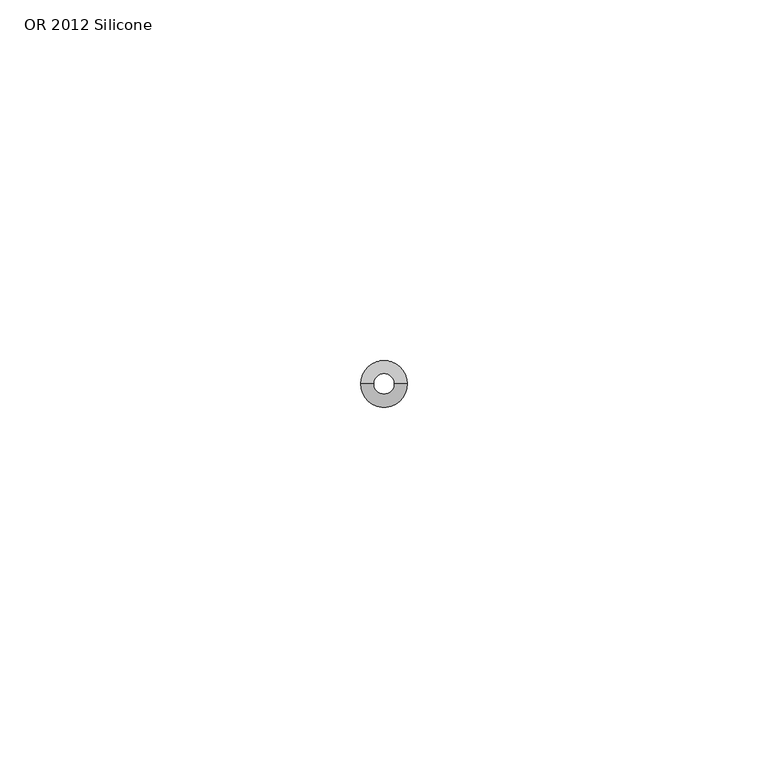
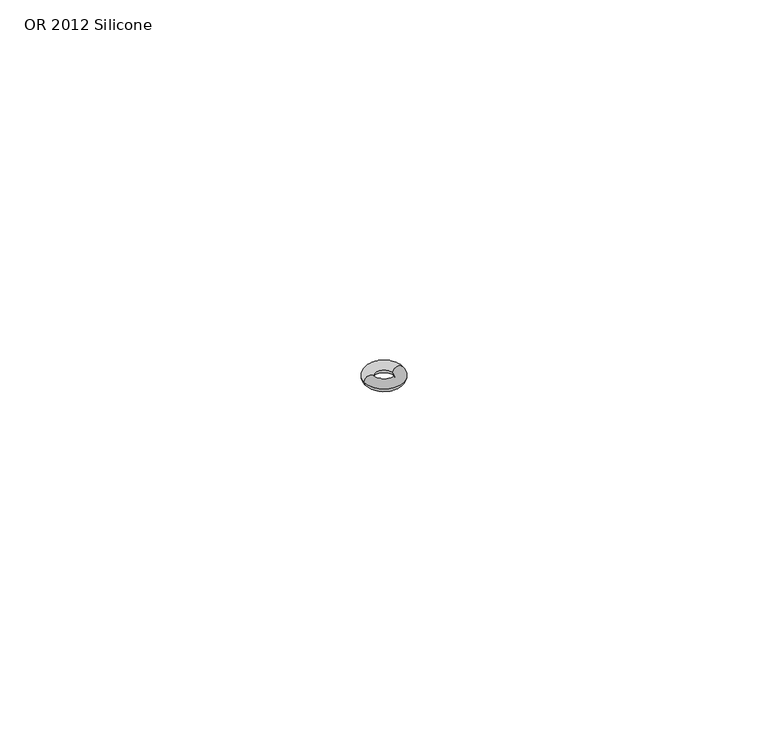
"""IFC4 building model written with IfcOpenShell, lengths in millimetres: proxy geometry, OR 2012 Silicone."""

import ifcopenshell
import ifcopenshell.guid

model = None  # the IFC model being written
_history = None  # IfcOwnerHistory: only IFC2X3 demands one
_inside = {}  # id of a spatial element -> (the spatial element, [elements in it])
_under = {}  # id of a project, library or spatial element -> (it, [spatial elements below it])
_declared = {}  # id of a project -> (the project, [libraries it declares])
_typed = {}  # id of a type object -> (the type object, [elements of that type])
_made_of = {}  # id of a material, layer set ... -> (it, [elements and type objects made of it])


def new_model(schema):
    """Start an empty IFC model of exactly this schema.

    Asked for "IFC4X3", IfcOpenShell would pick the latest addendum, in which some entities
    have other attributes; the version numbers below select the first issue.
    IFC2X3 requires an IfcOwnerHistory on every rooted entity: one is made here for all.
    """
    global model, _history
    if schema == "IFC4X3":
        model = ifcopenshell.file(schema_version=(4, 3, 0, 0))
    else:
        model = ifcopenshell.file(schema=schema)
    _inside.clear()
    _under.clear()
    _declared.clear()
    _typed.clear()
    _made_of.clear()
    _history = None
    if model.schema == "IFC2X3":
        org = make("IfcOrganization", Name="unknown")
        user = make(
            "IfcPersonAndOrganization",
            ThePerson=make("IfcPerson", FamilyName="unknown"),
            TheOrganization=org,
        )
        app = make(
            "IfcApplication",
            ApplicationDeveloper=org,
            Version="unknown",
            ApplicationFullName="unknown",
            ApplicationIdentifier="unknown",
        )
        _history = make(
            "IfcOwnerHistory",
            OwningUser=user,
            OwningApplication=app,
            ChangeAction="ADDED",
            CreationDate=0,
        )
    return model


def make(cls, **values):
    """One entity of the class cls with the attributes given. An attribute that is None is left unset."""
    return model.create_entity(
        cls, **{name: value for name, value in values.items() if value is not None}
    )


def rooted(cls, **values):
    """An entity with a GlobalId (a new one), such as an element, a storey or a relation."""
    return make(cls, GlobalId=ifcopenshell.guid.new(), OwnerHistory=_history, **values)


def si_unit(unit_type, name, prefix=None):
    """IfcSIUnit, for example si_unit("LENGTHUNIT", "METRE", prefix="MILLI")."""
    return make("IfcSIUnit", UnitType=unit_type, Prefix=prefix, Name=name)


def assignment(units):
    """IfcUnitAssignment: the units of a project."""
    return None if units is None else make("IfcUnitAssignment", Units=units)


def point(xyz):
    """IfcCartesianPoint."""
    return None if xyz is None else make("IfcCartesianPoint", Coordinates=xyz)


def direction(xyz):
    """IfcDirection."""
    return None if xyz is None else make("IfcDirection", DirectionRatios=xyz)


def frame(location, z_axis=None, x_axis=None):
    """IfcAxis2Placement3D, a coordinate frame: its origin and axes. An axis left out is left unset."""
    return make(
        "IfcAxis2Placement3D",
        Location=point(location),
        Axis=direction(z_axis),
        RefDirection=direction(x_axis),
    )


def origin():
    """The frame at (0, 0, 0) with its axes left unset."""
    return frame((0.0, 0.0, 0.0))


def origin_with_axes():
    """The frame at (0, 0, 0) with the z axis (0, 0, 1) and the x axis (1, 0, 0) written out."""
    return frame((0.0, 0.0, 0.0), z_axis=(0.0, 0.0, 1.0), x_axis=(1.0, 0.0, 0.0))


def place(relative_to, where):
    """IfcLocalPlacement: puts the frame where relative to a parent placement (None: the world)."""
    return make(
        "IfcLocalPlacement", PlacementRelTo=relative_to, RelativePlacement=where
    )


def context(
    kind, dimensions, precision=None, world=None, true_north=None, identifier=None
):
    """IfcGeometricRepresentationContext, for example the 3D "Model" context."""
    return make(
        "IfcGeometricRepresentationContext",
        ContextIdentifier=identifier,
        ContextType=kind,
        CoordinateSpaceDimension=dimensions,
        Precision=precision,
        WorldCoordinateSystem=world,
        TrueNorth=true_north,
    )


def project(units=None, contexts=None):
    """IfcProject with its units and contexts."""
    return rooted(
        "IfcProject",
        Name="project",
        RepresentationContexts=contexts,
        UnitsInContext=assignment(units),
    )


def spatial(cls, under=None, at=None, **own):
    """A site, building, storey or space (cls), placed at a placement, below another one or the project."""
    s = rooted(cls, ObjectPlacement=at, **own)
    if under is not None:
        _under.setdefault(under.id(), (under, []))[1].append(s)
    return s


def circle_curve(where, radius):
    """IfcCircle in the frame where."""
    return make("IfcCircle", Position=where, Radius=radius)


def ellipse_curve(where, semi_axis1, semi_axis2):
    """IfcEllipse in the frame where."""
    return make(
        "IfcEllipse", Position=where, SemiAxis1=semi_axis1, SemiAxis2=semi_axis2
    )


def trimmed(basis, trim1, trim2, sense, master):
    """IfcTrimmedCurve: the piece of a basis curve between two trims."""
    return make(
        "IfcTrimmedCurve",
        BasisCurve=basis,
        Trim1=trim1,
        Trim2=trim2,
        SenseAgreement=sense,
        MasterRepresentation=master,
    )


def shape(context_of_items, identifier, shape_type, items):
    """IfcShapeRepresentation: the items that make up one representation, for example the "Body"."""
    return make(
        "IfcShapeRepresentation",
        ContextOfItems=context_of_items,
        RepresentationIdentifier=identifier,
        RepresentationType=shape_type,
        Items=items,
    )


def source(mapping_origin, context_of_items, identifier, shape_type, items):
    """IfcRepresentationMap: a shape defined once, which mapped items show again and again."""
    return make(
        "IfcRepresentationMap",
        MappingOrigin=mapping_origin,
        MappedRepresentation=shape(context_of_items, identifier, shape_type, items),
    )


def transform(
    local_origin,
    x_axis=None,
    y_axis=None,
    z_axis=None,
    scale=None,
    scale2=None,
    scale3=None,
    uniform=True,
):
    """IfcCartesianTransformationOperator3D, or its non-uniform kind. x_axis, y_axis, z_axis: its Axis1, 2, 3."""
    if uniform:
        return make(
            "IfcCartesianTransformationOperator3D",
            Axis1=direction(x_axis),
            Axis2=direction(y_axis),
            LocalOrigin=point(local_origin),
            Scale=scale,
            Axis3=direction(z_axis),
        )
    return make(
        "IfcCartesianTransformationOperator3DnonUniform",
        Axis1=direction(x_axis),
        Axis2=direction(y_axis),
        LocalOrigin=point(local_origin),
        Scale=scale,
        Axis3=direction(z_axis),
        Scale2=scale2,
        Scale3=scale3,
    )


def mapped(mapping_source, mapping_target):
    """IfcMappedItem: shows the shape of a source again, moved by a transform."""
    return make(
        "IfcMappedItem", MappingSource=mapping_source, MappingTarget=mapping_target
    )


def made_of(thing, what):
    """Note that an element or type object is made of a material, layer set ...; save() writes the relation."""
    if what is not None:
        _made_of.setdefault(what.id(), (what, []))[1].append(thing)
    return thing


def element(
    cls,
    number,
    at=None,
    inside=None,
    cuts=None,
    type_object=None,
    material=None,
    context=None,
    identifier="Body",
    shape_type=None,
    held_by="IfcProductDefinitionShape",
    body=None,
    shapes=None,
    **own,
):
    """One element of the class cls, such as IfcWall. Its Tag is "e" and its number.

    at: its placement. inside: the storey or other place that contains it. cuts: it is an
    opening in that element (IfcRelVoidsElement). A single representation is given by context,
    identifier, shape_type and body (its items); several are given by shapes. held_by: the class
    of the entity that holds the representations. save() writes the other relations.
    """
    e = rooted(cls, Tag="e%d" % number, ObjectPlacement=at, **own)
    if body is not None:
        shapes = [shape(context, identifier, shape_type, body)]
    if shapes is not None:
        e.Representation = make(held_by, Representations=shapes)
    if inside is not None:
        _inside.setdefault(inside.id(), (inside, []))[1].append(e)
    if cuts is not None:
        rooted(
            "IfcRelVoidsElement", RelatingBuildingElement=cuts, RelatedOpeningElement=e
        )
    if type_object is not None:
        _typed.setdefault(type_object.id(), (type_object, []))[1].append(e)
    return made_of(e, material)


def aggregate(whole, parts):
    """IfcRelAggregates: a whole, such as a stair, and the parts it consists of."""
    return rooted("IfcRelAggregates", RelatingObject=whole, RelatedObjects=parts)


def save(model, path):
    """Write the relations noted so far, then the file.

    IfcRelAggregates (storeys below a building ...), IfcRelContainedInSpatialStructure (elements
    in a storey), IfcRelDefinesByType, IfcRelAssociatesMaterial and IfcRelDeclares: one each for
    every whole, place, type object, material and project.
    """
    for whole, parts in _under.values():
        aggregate(whole, parts)
    for where, things in _inside.values():
        rooted(
            "IfcRelContainedInSpatialStructure",
            RelatedElements=things,
            RelatingStructure=where,
        )
    for kind, things in _typed.values():
        rooted("IfcRelDefinesByType", RelatedObjects=things, RelatingType=kind)
    for what, things in _made_of.values():
        rooted("IfcRelAssociatesMaterial", RelatedObjects=things, RelatingMaterial=what)
    for by, libraries in _declared.values():
        rooted("IfcRelDeclares", RelatingContext=by, RelatedDefinitions=libraries)
    model.write(path)


def revolved_surface(curve, axis_point, axis_direction):
    """IfcSurfaceOfRevolution: the curve turned about the line through axis_point along axis_direction."""
    return make(
        "IfcSurfaceOfRevolution",
        SweptCurve=make("IfcArbitraryOpenProfileDef", ProfileType="CURVE", Curve=curve),
        AxisPosition=make("IfcAxis1Placement", Location=point(axis_point), Axis=direction(axis_direction)),
    )


def advanced_brep(points, edges, surfaces, faces):
    """IfcAdvancedBrep: a solid bounded by faces that lie on surfaces and meet in shared edges.

    An edge is (start, end): straight between two places in points (the first is 0);
    or (start, end, curve); or (start, end, curve, False) where it runs against its curve.
    A face is (place in surfaces, loops), or (place, loops, False) where it looks against
    its surface's normal. A loop lists edges by number (the first is 1), with a minus sign
    where the edge is run from its end to its start. The first loop is the outer one.
    """
    corners = [point(p) for p in points]
    vertices = [make("IfcVertexPoint", VertexGeometry=c) for c in corners]
    made = []
    for start, end, *more in edges:
        made.append(
            make(
                "IfcEdgeCurve",
                EdgeStart=vertices[start],
                EdgeEnd=vertices[end],
                EdgeGeometry=more[0] if more else make("IfcPolyline", Points=[corners[start], corners[end]]),
                SameSense=more[1] if len(more) > 1 else True,
            )
        )
    hull = []
    for where, loops, *sense in faces:
        bounds = []
        for j, loop in enumerate(loops):
            ring = [make("IfcOrientedEdge", EdgeElement=made[abs(k) - 1], Orientation=k > 0) for k in loop]
            bounds.append(
                make(
                    "IfcFaceOuterBound" if j == 0 else "IfcFaceBound",
                    Bound=make("IfcEdgeLoop", EdgeList=ring),
                    Orientation=True,
                )
            )
        hull.append(make("IfcAdvancedFace", Bounds=bounds, FaceSurface=surfaces[where], SameSense=sense[0] if sense else True))
    return make("IfcAdvancedBrep", Outer=make("IfcClosedShell", CfsFaces=hull))


def or_2012_silicone_c10767ab(model_context):
    return source(origin(), model_context, "Body", "AdvancedBrep", [
        advanced_brep(
        [(-3.23, 0.0, 0.0), (3.23, 0.0, 0.0), (1.45, 0.0, 0.0), (-1.45, 0.0, 0.0)],
        [
            (0, 1, circle_curve(frame((0.0, 0.0, 0.0), z_axis=(0.0, 0.0, 1.0), x_axis=(-1.0, 0.0, 0.0)), 3.23)),
            (1, 2, circle_curve(frame((2.34, 0.0, 0.0), z_axis=(0.0, -1.0, 0.0), x_axis=(1.0, 0.0, 0.0)), 0.89)),
            (2, 3, circle_curve(frame((0.0, 0.0, 0.0), z_axis=(0.0, 0.0, -1.0), x_axis=(-1.0, 0.0, 0.0)), 1.45)),
            (3, 0, circle_curve(frame((-2.34, 0.0, 0.0), z_axis=(0.0, -1.0, 0.0), x_axis=(-1.0, 0.0, 0.0)), 0.89)),
            (1, 0, circle_curve(origin_with_axes(), 3.23)),
            (3, 2, circle_curve(frame((0.0, 0.0, 0.0), z_axis=(0.0, 0.0, -1.0), x_axis=(1.0, 0.0, 0.0)), 1.45)),
            (1, 2, circle_curve(frame((2.34, 0.0, 0.0), z_axis=(0.0, 1.0, 0.0), x_axis=(1.0, 0.0, 0.0)), 0.89)),
            (3, 0, circle_curve(frame((-2.34, 0.0, 0.0), z_axis=(0.0, 1.0, 0.0), x_axis=(-1.0, 0.0, 0.0)), 0.89)),
        ],
        [
            revolved_surface(trimmed(ellipse_curve(frame((-2.34, 0.0, 0.0), z_axis=(0.0, 1.0, 0.0), x_axis=(-1.0, 0.0, 0.0)), 0.89, 0.89), [point((-3.23, 0.0, 0.0))], [point((-1.45, 0.0, 0.0))], True, "CARTESIAN"), (0.0, 0.0, 0.0), (0.0, 0.0, 1.0)),
            revolved_surface(trimmed(ellipse_curve(frame((2.34, 0.0, 0.0), z_axis=(0.0, -1.0, 0.0), x_axis=(1.0, 0.0, 0.0)), 0.89, 0.89), [point((3.23, 0.0, 0.0))], [point((1.45, 0.0, 0.0))], True, "CARTESIAN"), (0.0, 0.0, 0.0), (0.0, 0.0, 1.0)),
            revolved_surface(trimmed(ellipse_curve(frame((2.34, 0.0, 0.0), z_axis=(0.0, -1.0, 0.0), x_axis=(1.0, 0.0, 0.0)), 0.89, 0.89), [point((1.45, 0.0, 0.0))], [point((3.23, 0.0, 0.0))], True, "CARTESIAN"), (0.0, 0.0, 0.0), (0.0, 0.0, 1.0)),
            revolved_surface(trimmed(ellipse_curve(frame((-2.34, 0.0, 0.0), z_axis=(0.0, 1.0, 0.0), x_axis=(-1.0, 0.0, 0.0)), 0.89, 0.89), [point((-1.45, 0.0, 0.0))], [point((-3.23, 0.0, 0.0))], True, "CARTESIAN"), (0.0, 0.0, 0.0), (0.0, 0.0, 1.0)),
        ],
        [
            (0, [[1, 2, 3, 4]]),
            (1, [[5, -4, 6, -2]]),
            (2, [[-5, 7, -6, 8]]),
            (3, [[-1, -8, -3, -7]]),
        ],
    ),
    ])


if __name__ == "__main__":
    model = new_model("IFC4")
    model_context = context("Model", 3, world=origin())
    ifc_project = project(units=[si_unit("LENGTHUNIT", "METRE", prefix="MILLI")], contexts=[model_context])
    site = spatial("IfcSite", under=ifc_project)
    building = spatial("IfcBuilding", under=site)
    placement = place(None, origin())
    or_2012_silicone_shape = or_2012_silicone_c10767ab(model_context)
    element("IfcBuildingElementProxy", 1, Name="OR 2012 Silicone", ObjectType="OR 2012 Silicone", at=placement, inside=building, context=model_context, shape_type="MappedRepresentation", body=[
        mapped(or_2012_silicone_shape, transform((0.0, 0.0, 0.0), x_axis=(1.0, 0.0, 0.0), y_axis=(0.0, 1.0, 0.0), z_axis=(0.0, 0.0, 1.0))),
    ])
    save(model, "model.ifc")
